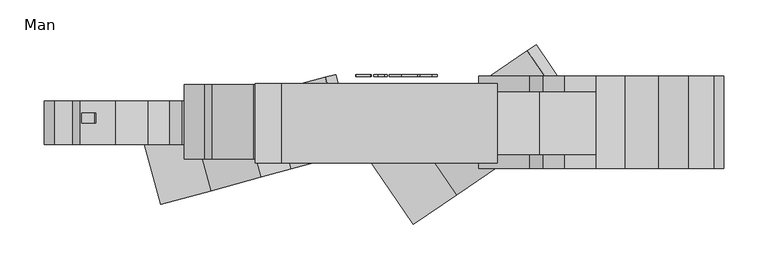
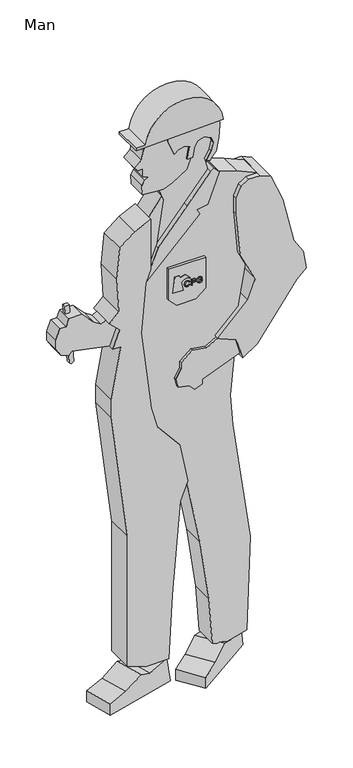
"""IFC4 building model written with IfcOpenShell, lengths in millimetres: proxy geometry, Man."""

from ifc_helpers import new_model, si_unit, point, frame, frame_2d, origin, place, context, project, spatial, polyline, circle_curve, trimmed, segment, composite_curve, outline, extrude, source, transform, mapped, element, save


def man_1e050dde(model_context):
    return source(origin(), model_context, "Body", "SweptSolid", [
        extrude(outline(composite_curve([segment(trimmed(circle_curve(frame_2d((1299.2559915, -35.5447507)), 10.3313938), [point((1302.7562216, -25.8243552))], [point((1295.7557615, -25.8243552))], True, "CARTESIAN"), True, "CONTINUOUS"), segment(trimmed(circle_curve(frame_2d((1298.6157539, -32.4710047)), 7.2358487), [point((1295.7557615, -25.8243552))], [point((1293.3081602, -37.3890281))], True, "CARTESIAN"), True, "CONTINUOUS"), segment(polyline([(1293.3081602, -37.3890281), (1296.8476918, -37.3890281), (1296.8476918, -32.0637869), (1298.8891461, -32.0637869), (1298.8891461, -40.1420448), (1291.793164, -40.1420448)]), True, "CONTINUOUS"), segment(trimmed(circle_curve(frame_2d((1300.1511426, -33.0322696)), 10.9729081), [point((1291.793164, -40.1420448))], [point((1295.7557615, -22.9781492))], False, "CARTESIAN"), True, "CONTINUOUS"), segment(trimmed(circle_curve(frame_2d((1299.2559915, -34.255333)), 11.8078993), [point((1295.7557615, -22.9781492))], [point((1302.7562216, -22.9781492))], False, "CARTESIAN"), True, "CONTINUOUS"), segment(trimmed(circle_curve(frame_2d((1300.1513677, -31.3705736)), 8.7873802), [point((1302.7562216, -22.9781492))], [point((1303.55437, -39.4722788))], False, "CARTESIAN"), True, "CONTINUOUS"), segment(polyline([(1303.55437, -39.4722788), (1302.6628122, -36.8583473)]), True, "CONTINUOUS"), segment(trimmed(circle_curve(frame_2d((1300.7754948, -31.3249786)), 5.8463781), [point((1302.6628122, -36.8583473))], [point((1302.7562216, -25.8243552))], True, "CARTESIAN"), True, "CONTINUOUS")], self_intersect=False)), frame((0.0, 48.0, 0.0), z_axis=(0.0, 1.0, 0.0), x_axis=(0.0, 0.0, 1.0)), (0.0, 0.0, 1.0), 2.0),
        extrude(outline(composite_curve([segment(trimmed(circle_curve(frame_2d((1299.2559915, 2.9474506)), 10.3313938), [point((1302.7562216, 12.6678461))], [point((1295.7557615, 12.6678461))], True, "CARTESIAN"), True, "CONTINUOUS"), segment(trimmed(circle_curve(frame_2d((1297.7364882, 7.1672227)), 5.8463781), [point((1295.7557615, 12.6678461))], [point((1295.8491709, 1.6338539))], True, "CARTESIAN"), True, "CONTINUOUS"), segment(polyline([(1295.8491709, 1.6338539), (1294.9576131, -0.9800775)]), True, "CONTINUOUS"), segment(trimmed(circle_curve(frame_2d((1298.3606154, 7.1216277)), 8.7873802), [point((1294.9576131, -0.9800775))], [point((1295.7557615, 15.5140521))], False, "CARTESIAN"), True, "CONTINUOUS"), segment(trimmed(circle_curve(frame_2d((1299.2559915, 4.2368683)), 11.8078993), [point((1295.7557615, 15.5140521))], [point((1302.7562216, 15.5140521))], False, "CARTESIAN"), True, "CONTINUOUS"), segment(trimmed(circle_curve(frame_2d((1300.1513677, 7.1216277)), 8.7873802), [point((1302.7562216, 15.5140521))], [point((1303.55437, -0.9800775))], False, "CARTESIAN"), True, "CONTINUOUS"), segment(polyline([(1303.55437, -0.9800775), (1302.6628122, 1.6338539)]), True, "CONTINUOUS"), segment(trimmed(circle_curve(frame_2d((1300.7754948, 7.1672227)), 5.8463781), [point((1302.6628122, 1.6338539))], [point((1302.7562216, 12.6678461))], True, "CARTESIAN"), True, "CONTINUOUS")], self_intersect=False)), frame((0.0, 48.0, 0.0), z_axis=(0.0, 1.0, 0.0), x_axis=(0.0, 0.0, 1.0)), (0.0, 0.0, 1.0), 2.0),
        extrude(outline(composite_curve([segment(trimmed(circle_curve(frame_2d((1302.7387174, -13.4995777)), 6.3487237), [point((1308.8601089, -15.1832814))], [point((1296.6173258, -15.1832814))], False, "CARTESIAN"), True, "CONTINUOUS"), segment(polyline([(1296.6173258, -15.1832814), (1296.6173258, -7.8097127), (1299.7083471, -7.8097127), (1299.7083471, -15.1832814)]), True, "CONTINUOUS"), segment(trimmed(circle_curve(frame_2d((1302.862802, -13.8044021)), 3.442658), [point((1299.7083471, -15.1832814))], [point((1305.7690876, -15.6497741))], True, "CARTESIAN"), True, "CONTINUOUS"), segment(polyline([(1305.7690876, -15.6497741), (1305.7690876, -7.8097127), (1308.8601089, -7.8097127), (1308.8601089, -15.1832814)]), True, "CONTINUOUS")], self_intersect=False)), frame((0.0, 48.0, 0.0), z_axis=(0.0, 1.0, 0.0), x_axis=(0.0, 0.0, 1.0)), (0.0, 0.0, 1.0), 2.0),
        extrude(outline(polyline([(-4.6800354, 48.0), (-7.8097127, 48.0), (-7.8097127, 50.0), (-4.6800354, 50.0), (-4.6800354, 48.0)])), frame((0.0, 0.0, 1289.7083471), z_axis=(0.0, 0.0, 1.0), x_axis=(1.0, 0.0, 0.0)), (0.0, 0.0, 1.0), 19.1517619),
        extrude(outline(composite_curve([segment(polyline([(1333.6628027, 32.1752923), (1324.6276428, 29.9225739)]), True, "CONTINUOUS"), segment(trimmed(circle_curve(frame_2d((1302.3084884, 12.6757244)), 28.2063552), [point((1324.6276428, 29.9225739))], [point((1330.5086431, 12.0843298))], False, "CARTESIAN"), True, "CONTINUOUS"), segment(polyline([(1330.5086431, 12.0843298), (1316.3969516, -2.0273618)]), True, "CONTINUOUS"), segment(trimmed(circle_curve(frame_2d((1296.539381, 8.3286361)), 22.3957541), [point((1316.3969516, -2.0273618))], [point((1309.9523132, 26.2636033))], True, "CARTESIAN"), True, "CONTINUOUS"), segment(polyline([(1309.9523132, 26.2636033), (1282.808936, 19.4959993), (1282.808936, 51.8860039), (1333.6628027, 46.5410472), (1333.6628027, 32.1752923)]), True, "CONTINUOUS")], self_intersect=False)), frame((0.0, 48.0, 0.0), z_axis=(0.0, 1.0, 0.0), x_axis=(0.0, 0.0, 1.0)), (0.0, 0.0, 1.0), 2.0),
        extrude(outline(composite_curve([segment(trimmed(circle_curve(frame_2d((1300.7754948, 45.2951618)), 5.8463781), [point((1302.7562216, 39.7945384))], [point((1302.6628122, 50.8285306))], True, "CARTESIAN"), True, "CONTINUOUS"), segment(polyline([(1302.6628122, 50.8285306), (1303.55437, 53.442462)]), True, "CONTINUOUS"), segment(trimmed(circle_curve(frame_2d((1300.1513677, 45.3407568)), 8.7873802), [point((1303.55437, 53.442462))], [point((1302.7562216, 36.9483324))], False, "CARTESIAN"), True, "CONTINUOUS"), segment(trimmed(circle_curve(frame_2d((1299.2559915, 48.2255162)), 11.8078993), [point((1302.7562216, 36.9483324))], [point((1295.7557615, 36.9483324))], False, "CARTESIAN"), True, "CONTINUOUS"), segment(trimmed(circle_curve(frame_2d((1300.1511426, 47.0024528)), 10.9729081), [point((1295.7557615, 36.9483324))], [point((1291.793164, 54.112228))], False, "CARTESIAN"), True, "CONTINUOUS"), segment(polyline([(1291.793164, 54.112228), (1298.8891461, 54.112228), (1298.8891461, 46.0339702), (1296.8476918, 46.0339702), (1296.8476918, 51.3592114), (1293.3081602, 51.3592114)]), True, "CONTINUOUS"), segment(trimmed(circle_curve(frame_2d((1298.6157539, 46.4411879)), 7.2358487), [point((1293.3081602, 51.3592114))], [point((1295.7557615, 39.7945384))], True, "CARTESIAN"), True, "CONTINUOUS"), segment(trimmed(circle_curve(frame_2d((1299.2559915, 49.5149339)), 10.3313938), [point((1295.7557615, 39.7945384))], [point((1302.7562216, 39.7945384))], True, "CARTESIAN"), True, "CONTINUOUS")], self_intersect=False)), frame((0.0, -50.0, 0.0), z_axis=(0.0, 1.0, 0.0), x_axis=(0.0, 0.0, 1.0)), (0.0, 0.0, 1.0), 2.0),
        extrude(outline(composite_curve([segment(trimmed(circle_curve(frame_2d((1300.7754948, 6.8029605)), 5.8463781), [point((1302.7562216, 1.3023371))], [point((1302.6628122, 12.3363293))], True, "CARTESIAN"), True, "CONTINUOUS"), segment(polyline([(1302.6628122, 12.3363293), (1303.55437, 14.9502607)]), True, "CONTINUOUS"), segment(trimmed(circle_curve(frame_2d((1300.1513677, 6.8485555)), 8.7873802), [point((1303.55437, 14.9502607))], [point((1302.7562216, -1.5438689))], False, "CARTESIAN"), True, "CONTINUOUS"), segment(trimmed(circle_curve(frame_2d((1299.2559915, 9.7333149)), 11.8078993), [point((1302.7562216, -1.5438689))], [point((1295.7557615, -1.5438689))], False, "CARTESIAN"), True, "CONTINUOUS"), segment(trimmed(circle_curve(frame_2d((1298.3606154, 6.8485555)), 8.7873802), [point((1295.7557615, -1.5438689))], [point((1294.9576131, 14.9502607))], False, "CARTESIAN"), True, "CONTINUOUS"), segment(polyline([(1294.9576131, 14.9502607), (1295.8491709, 12.3363293)]), True, "CONTINUOUS"), segment(trimmed(circle_curve(frame_2d((1297.7364882, 6.8029605)), 5.8463781), [point((1295.8491709, 12.3363293))], [point((1295.7557615, 1.3023371))], True, "CARTESIAN"), True, "CONTINUOUS"), segment(trimmed(circle_curve(frame_2d((1299.2559915, 11.0227326)), 10.3313938), [point((1295.7557615, 1.3023371))], [point((1302.7562216, 1.3023371))], True, "CARTESIAN"), True, "CONTINUOUS")], self_intersect=False)), frame((0.0, -50.0, 0.0), z_axis=(0.0, 1.0, 0.0), x_axis=(0.0, 0.0, 1.0)), (0.0, 0.0, 1.0), 2.0),
        extrude(outline(composite_curve([segment(polyline([(1308.8601089, 29.1534646), (1308.8601089, 21.7798959), (1305.7690876, 21.7798959), (1305.7690876, 29.6199573)]), True, "CONTINUOUS"), segment(trimmed(circle_curve(frame_2d((1302.862802, 27.7745854)), 3.442658), [point((1305.7690876, 29.6199573))], [point((1299.7083471, 29.1534646))], True, "CARTESIAN"), True, "CONTINUOUS"), segment(polyline([(1299.7083471, 29.1534646), (1299.7083471, 21.7798959), (1296.6173258, 21.7798959), (1296.6173258, 29.1534646)]), True, "CONTINUOUS"), segment(trimmed(circle_curve(frame_2d((1302.7387174, 27.469761)), 6.3487237), [point((1296.6173258, 29.1534646))], [point((1308.8601089, 29.1534646))], False, "CARTESIAN"), True, "CONTINUOUS")], self_intersect=False)), frame((0.0, -50.0, 0.0), z_axis=(0.0, 1.0, 0.0), x_axis=(0.0, 0.0, 1.0)), (0.0, 0.0, 1.0), 2.0),
        extrude(outline(polyline([(21.7798959, -50.0), (18.6502186, -50.0), (18.6502186, -48.0), (21.7798959, -48.0), (21.7798959, -50.0)])), frame((0.0, 0.0, 1289.7083471), z_axis=(0.0, 0.0, 1.0), x_axis=(1.0, 0.0, 0.0)), (0.0, 0.0, 1.0), 19.1517619),
        extrude(outline(polyline([(1131.7043612, -335.7763672), (1124.6332933, -328.7052993), (1131.7043612, -321.6342315), (1322.2256331, -334.9567767), (1321.2415307, -349.0300972), (1131.7043612, -335.7763672)])), frame((0.0, -4.7709579, 0.0), z_axis=(0.0, 1.0, 0.0), x_axis=(0.0, 0.0, 1.0)), (0.0, 0.0, 1.0), 11.1683298),
        extrude(outline(composite_curve([segment(polyline([(1333.6628027, -18.2051091), (1333.6628027, -32.5708639), (1282.808936, -37.9158207), (1282.808936, -5.5258161), (1309.9523132, -12.2934201)]), True, "CONTINUOUS"), segment(trimmed(circle_curve(frame_2d((1296.539381, 5.6415472)), 22.3957541), [point((1309.9523132, -12.2934201))], [point((1316.3969516, 15.997545))], True, "CARTESIAN"), True, "CONTINUOUS"), segment(polyline([(1316.3969516, 15.997545), (1330.5086431, 1.8858535)]), True, "CONTINUOUS"), segment(trimmed(circle_curve(frame_2d((1302.3084884, 1.2944589)), 28.2063552), [point((1330.5086431, 1.8858535))], [point((1324.6276428, -15.9523907))], False, "CARTESIAN"), True, "CONTINUOUS"), segment(polyline([(1324.6276428, -15.9523907), (1333.6628027, -18.2051091)]), True, "CONTINUOUS")], self_intersect=False)), frame((0.0, -50.0, 0.0), z_axis=(0.0, 1.0, 0.0), x_axis=(0.0, 0.0, 1.0)), (0.0, 0.0, 1.0), 2.0),
        extrude(outline(polyline([(-62.3224515, -1e-07), (-26.2802796, -1e-07), (21.1705027, -42.7248763), (73.5483499, -73.3236067), (62.6467269, -106.8753522), (-155.0768558, -36.1326719), (-119.7129721, 33.527095), (-62.3224515, -1e-07)])), frame((101.299227, -66.8486523, 82.2855969), z_axis=(-0.5623607233751479, 0.8268920224581806, 0.0), x_axis=(-0.7864210462313311, -0.5348368304743907, 0.3090169943749478)), (0.0, 0.0, 1.0), 90.0),
        extrude(outline(polyline([(-62.3224515, 0.0), (-26.2802797, 0.0), (21.1705027, -42.7248763), (73.5483499, -73.3236067), (62.6467269, -106.8753522), (-155.0768558, -36.1326719), (-119.7129722, 33.5270951), (-62.3224515, 0.0)])), frame((-170.7296151, -72.1290241, 80.4600164), z_axis=(-0.26251280045162234, 0.9649285100975341, 0.0), x_axis=(-0.9177015472872333, -0.24966450948040464, 0.3090169943749485)), (0.0, 0.0, 1.0), 90.0),
        extrude(outline(polyline([(1383.7178206, -104.2740232), (1547.6020117, -104.2740232), (1525.0145521, -155.0062882), (1487.2553286, -201.6350459), (1387.6267683, -210.2460832), (1277.7775195, -204.489128), (1248.7227437, -233.5439038), (1216.9029385, -201.7240986), (1160.8881129, -223.2261756), (1160.8881129, -198.2261756), (995.8561263, -227.3257675), (935.8561263, -227.3257675), (528.9122041, -177.3593367), (98.9122041, -177.3593367), (78.7453101, -121.9512507), (78.7453101, -48.7940362), (285.5441021, -37.9561707), (585.1380655, -11.7450953), (644.747775, 11.1369283), (772.3593088, -13.6682411), (856.6241976, -84.3748781), (924.2390054, -102.4922113), (1182.3010048, -134.1782406), (1341.7067014, -120.400581), (1383.7178206, -104.2740232)])), frame((0.0, -45.2184675, 0.0), z_axis=(0.0, 1.0, 0.0), x_axis=(0.0, 0.0, 1.0)), (0.0, 0.0, 1.0), 83.8550356),
        extrude(outline(polyline([(1365.695797, 64.7218736), (1365.695797, -50.2781264), (1263.2221676, -50.2781264), (1238.8639454, -25.9199042), (1238.8639454, 34.0800958), (1264.5754497, 64.7218736), (1365.695797, 64.7218736)])), frame((0.0, -48.5708254, 0.0), z_axis=(0.0, 1.0, 0.0), x_axis=(0.0, 0.0, 1.0)), (0.0, 0.0, 1.0), 86.4166863),
        extrude(outline(polyline([(1609.167362, 167.232663), (1627.7083816, 110.169272), (1536.0870937, 74.9991547), (1528.1419293, 39.1228361), (1510.9521447, 49.8642057), (1341.2465172, -119.8414218), (1179.158698, -133.8509011), (925.1266093, -102.6596826), (854.7517657, -83.8028001), (773.5189054, -15.640337), (426.4335314, 51.8262253), (228.3799176, 79.6608455), (78.7453101, 90.1243166), (65.5228315, 126.4527779), (84.6654178, 197.8938826), (389.4796201, 208.5382291), (775.6841669, 154.2607198), (877.0067012, 147.175558), (1008.1261613, 158.6470243), (1000.1360782, 138.5655132), (966.3284017, 53.596531), (953.1258951, 53.596531), (943.883545, 30.3676919), (961.5612146, 12.6900224), (966.2581955, -20.7307335), (995.2359703, -28.4953048), (1024.2481843, -11.7450953), (1044.2481843, -11.7450953), (1073.1736267, 22.7269047), (1065.2581948, 67.6175495), (1087.5764297, 105.9338648), (1090.5764167, 98.8663384), (1160.9510485, 169.2409703), (1293.4414529, 192.6026033), (1342.4386928, 168.7050526), (1481.90171, 156.5036196), (1532.824128, 156.5036196), (1564.798219, 170.7394021), (1580.695797, 196.180845), (1580.695797, 231.180845), (1609.167362, 167.232663)])), frame((0.0, -40.0, 0.0), z_axis=(0.0, 1.0, 0.0), x_axis=(0.0, 0.0, 1.0)), (0.0, 0.0, 1.0), 70.0),
        extrude(outline(polyline([(1066.0862176, 156.5616318), (998.7978989, 175.8562467), (1030.3446029, 220.9096091), (1200.2381717, 344.3445121), (1225.9496761, 374.9862898), (1285.0381413, 364.5673992), (1331.6807866, 335.4218396), (1477.8362963, 301.6791815), (1566.7182312, 263.9510385), (1581.2770823, 231.2513236), (1581.2770823, 195.5052122), (1566.3950915, 171.6890485), (1532.2872265, 156.5032486), (1481.9059506, 156.5032486), (1342.4386928, 168.7050526), (1246.8059089, 215.3482779), (1184.3126815, 192.6026033), (1090.5764167, 98.8663384), (1087.5764297, 105.9338648), (1066.0862176, 156.5616318)])), frame((0.0, -56.0744851, 0.0), z_axis=(0.0, 1.0, 0.0), x_axis=(0.0, 0.0, 1.0)), (0.0, 0.0, 1.0), 104.5474387),
        extrude(outline(polyline([(1587.3387799, -57.0166695), (1601.4341693, -62.1469716), (1545.5296836, -104.2740232), (1381.8009769, -104.2740232), (1444.2224082, -80.3126808), (1587.3387799, -57.0166695)])), frame((0.0, -31.7176733, 0.0), z_axis=(0.0, 1.0, 0.0), x_axis=(0.0, 0.0, 1.0)), (0.0, 0.0, 1.0), 61.7176733),
        extrude(outline(polyline([(1627.7083816, 110.169272), (1645.3860512, 92.4916025), (1639.5637412, 83.5981597), (1551.4686302, 9.6775846), (1444.2224082, -80.3126808), (1341.2465172, -119.8414218), (1510.9521447, 49.8642057), (1528.2726528, 39.8642057), (1534.350339, 74.3324771), (1627.7083816, 110.169272)])), frame((0.0, -43.3095261, 0.0), z_axis=(0.0, 1.0, 0.0), x_axis=(0.0, 0.0, 1.0)), (0.0, 0.0, 1.0), 75.5202424),
        extrude(outline(polyline([(1215.8920503, -200.919419), (1250.5677393, -235.5951079), (1242.443239, -249.6671552), (1259.6505321, -274.2417166), (1296.1026646, -310.6938491), (1296.1026646, -350.6938491), (1272.6103491, -359.2443527), (1272.6103491, -379.2443527), (1239.7211074, -391.2150577), (1209.7211074, -391.2150577), (1183.7403453, -376.2150577), (1175.1898417, -352.7227422), (1185.7964434, -342.1161405), (1162.1525761, -220.478988), (1215.8920503, -200.919419)])), frame((0.0, -28.7263555, 0.0), z_axis=(0.0, 1.0, 0.0), x_axis=(0.0, 0.0, 1.0)), (0.0, 0.0, 1.0), 49.1104334),
        extrude(outline(polyline([(1066.0862176, 156.5616318), (1087.5764297, 105.9338648), (1065.2581948, 67.6175495), (1073.1736267, 22.7269047), (1044.2481843, -11.7450953), (1024.2481843, -11.7450953), (995.2359703, -28.4953048), (966.2581955, -20.7307335), (960.1805093, 13.7375379), (942.5028397, 31.4152074), (951.7451898, 54.6440465), (966.7451898, 54.6440465), (1012.9602972, 170.7966793), (1066.0862176, 156.5616318)])), frame((0.0, -48.5708254, 0.0), z_axis=(0.0, 1.0, 0.0), x_axis=(0.0, 0.0, 1.0)), (0.0, 0.0, 1.0), 86.4166863),
        extrude(outline(polyline([(1732.5814743, 34.2743093), (1702.9909127, 28.535321), (1664.0477146, 14.361156), (1635.8204606, -30.8118932), (1622.9633973, -62.6342414), (1622.9633973, -70.1371258), (1585.3756925, -56.4563201), (1443.6147569, -79.5316979), (1520.2192013, -15.252937), (1637.3940267, 83.0684158), (1677.5478687, 71.5544869), (1703.5286308, 86.5544869), (1730.5876262, 92.8015482), (1745.8285609, 87.2543017), (1756.5950825, 66.1238132), (1751.3568114, 45.1142552), (1732.5814743, 34.2743093)])), frame((0.0, -28.7263555, 0.0), z_axis=(0.0, 1.0, 0.0), x_axis=(0.0, 0.0, 1.0)), (0.0, 0.0, 1.0), 49.1104334),
        extrude(outline(polyline([(1797.479721, -46.1556086), (1795.6209084, -108.0530713), (1773.4066163, -121.737343), (1743.8623838, -126.9467883), (1723.5846802, -147.2244918), (1712.9780785, -136.6178901), (1714.2224312, -122.3948741), (1687.9873063, -122.3948741), (1681.1469034, -103.6010217), (1673.1981144, -116.3217431), (1659.0212359, -126.2485003), (1629.135395, -123.633828), (1624.5822628, -86.5515421), (1624.5822628, -58.6274088), (1635.8204606, -30.8118932), (1664.0477146, 14.361156), (1702.9909127, 28.535321), (1701.6354194, 13.0419618), (1742.4342379, 20.2358943), (1748.162279, 4.4982305), (1742.9887958, -16.2514773), (1733.1260127, -28.0054845), (1778.0491461, -46.1556086), (1797.479721, -46.1556086)])), frame((0.0, -33.5591292, 0.0), z_axis=(0.0, 1.0, 0.0), x_axis=(0.0, 0.0, 1.0)), (0.0, 0.0, 1.0), 59.6222541),
        extrude(outline(polyline([(1802.2275207, 111.943579), (1797.479721, -46.1556086), (1778.0491461, -46.1556086), (1733.1260127, -28.0054845), (1742.9887958, -16.2514773), (1748.162279, 4.4982305), (1742.4342379, 20.2358943), (1701.6354194, 13.0419618), (1703.0372417, 29.064864), (1732.5814743, 34.2743093), (1751.3568114, 45.1142552), (1756.5950825, 66.1238132), (1745.8285609, 87.2543017), (1730.5876262, 92.8015482), (1703.5286308, 86.5544869), (1677.5478687, 71.5544869), (1672.9797879, 84.1051856), (1681.640042, 89.1051856), (1698.5187768, 102.2922985), (1737.4935794, 111.2903407), (1780.0977332, 114.2695134), (1802.2275207, 111.943579)])), frame((0.0, -40.0, 0.0), z_axis=(0.0, 1.0, 0.0), x_axis=(0.0, 0.0, 1.0)), (0.0, 0.0, 1.0), 70.0),
        extrude(outline(composite_curve([segment(polyline([(1802.1381524, -123.6807145), (1802.1381524, -153.1935907), (1794.2653155, -153.1935907), (1802.4587104, 119.6420738)]), True, "CONTINUOUS"), segment(trimmed(circle_curve(frame_2d((1787.1198026, -1.9993238)), 122.6046968), [point((1802.4587104, 119.6420738))], [point((1802.1381524, -123.6807145))], False, "CARTESIAN"), True, "CONTINUOUS")], self_intersect=False)), frame((0.0, -50.0, 0.0), z_axis=(0.0, 1.0, 0.0), x_axis=(0.0, 0.0, 1.0)), (0.0, 0.0, 1.0), 90.0),
    ])


if __name__ == "__main__":
    model = new_model("IFC4")
    model_context = context("Model", 3, world=origin())
    ifc_project = project(units=[si_unit("LENGTHUNIT", "METRE", prefix="MILLI")], contexts=[model_context])
    site = spatial("IfcSite", under=ifc_project)
    building = spatial("IfcBuilding", under=site)
    placement = place(None, origin())
    man_shape = man_1e050dde(model_context)
    element("IfcBuildingElementProxy", 1, Name="Man", ObjectType="Man", at=placement, inside=building, context=model_context, shape_type="MappedRepresentation", body=[
        mapped(man_shape, transform((0.0, 0.0, 0.0), x_axis=(1.0, 0.0, 0.0), y_axis=(0.0, 1.0, 0.0), z_axis=(0.0, 0.0, 1.0))),
    ])
    save(model, "model.ifc")
